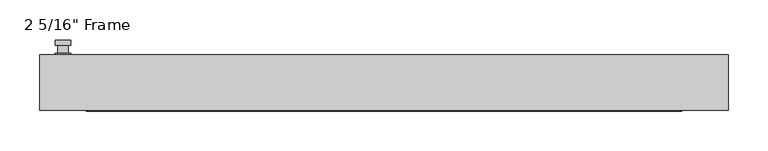
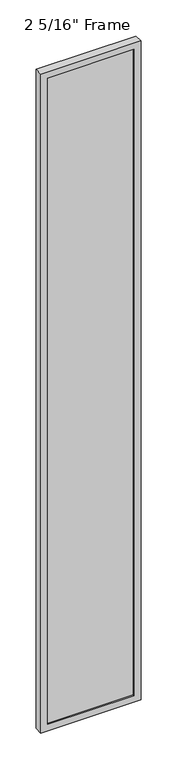
"""IFC4 building model written with IfcOpenShell, lengths in millimetres: plate geometry."""

from ifc_helpers import new_model, si_unit, frame, origin, place, context, project, spatial, polyline, circle_curve, outline, extrude, faceted_brep, source, transform, mapped, element, save
from ifc_brep_helpers import plane_surface, cylinder_surface, advanced_brep


def plate_0ae43627(model_context):
    return source(origin(), model_context, "Body", "SolidModel", [
        advanced_brep(
        [(-394.81125, 34.925, 927.1), (-413.86125, 34.925, 927.1), (-413.86125, 34.925, 901.7), (-394.81125, 34.925, 901.7), (-397.98625, 47.625, 914.4), (-397.98625, 38.1, 914.4), (-410.68625, 38.1, 914.4), (-410.68625, 47.625, 914.4), (-394.81125, 47.625, 914.4), (-413.86125, 47.625, 914.4), (-410.6822144, 47.625, 825.2736467), (-397.9902856, 47.625, 825.2736467), (-394.81125, 53.975, 914.4), (-397.9902856, 53.975, 825.2736467), (-410.6822144, 53.975, 825.2736467), (-413.86125, 53.975, 914.4), (-394.81125, 38.1, 927.1), (-394.81125, 38.1, 901.7), (-413.86125, 38.1, 901.7), (-413.86125, 38.1, 927.1)],
        [
            (0, 1, circle_curve(frame((-404.33625, 34.925, 927.1), z_axis=(0.0, -1.0, 0.0), x_axis=(-1.0, 0.0, 0.0)), 9.525)),
            (1, 2),
            (2, 3, circle_curve(frame((-404.33625, 34.925, 901.7), z_axis=(0.0, -1.0, 0.0), x_axis=(-1.0, 0.0, 0.0)), 9.525)),
            (3, 0),
            (4, 5),
            (5, 6, circle_curve(frame((-404.33625, 38.1, 914.4), z_axis=(0.0, 1.0, 0.0), x_axis=(-1.0, 0.0, 0.0)), 6.35)),
            (6, 7),
            (7, 4, circle_curve(frame((-404.33625, 47.625, 914.4), z_axis=(0.0, -1.0, 0.0), x_axis=(-1.0, 0.0, 0.0)), 6.35)),
            (6, 5, circle_curve(frame((-404.33625, 38.1, 914.4), z_axis=(0.0, 1.0, 0.0), x_axis=(-1.0, 0.0, 0.0)), 6.35)),
            (4, 7, circle_curve(frame((-404.33625, 47.625, 914.4), z_axis=(0.0, -1.0, 0.0), x_axis=(-1.0, 0.0, 0.0)), 6.35)),
            (8, 9, circle_curve(frame((-404.33625, 47.625, 914.4), z_axis=(0.0, -1.0, 0.0), x_axis=(-1.0, 0.0, 0.0)), 9.525)),
            (9, 10),
            (10, 11, circle_curve(frame((-404.33625, 47.625, 825.5), z_axis=(0.0, -1.0, 0.0), x_axis=(-1.0, 0.0, 0.0)), 6.35)),
            (11, 8),
            (12, 13),
            (13, 14, circle_curve(frame((-404.33625, 53.975, 825.5), z_axis=(0.0, 1.0, 0.0), x_axis=(-1.0, 0.0, 0.0)), 6.35)),
            (14, 15),
            (15, 12, circle_curve(frame((-404.33625, 53.975, 914.4), z_axis=(0.0, 1.0, 0.0), x_axis=(-1.0, 0.0, 0.0)), 9.525)),
            (11, 13),
            (12, 8),
            (10, 14),
            (9, 15),
            (16, 17),
            (17, 18, circle_curve(frame((-404.33625, 38.1, 901.7), z_axis=(0.0, 1.0, 0.0), x_axis=(-1.0, 0.0, 0.0)), 9.525)),
            (18, 19),
            (19, 16, circle_curve(frame((-404.33625, 38.1, 927.1), z_axis=(0.0, 1.0, 0.0), x_axis=(-1.0, 0.0, 0.0)), 9.525)),
            (3, 17),
            (16, 0),
            (2, 18),
            (1, 19),
        ],
        [
            plane_surface(frame((-410.68625, 34.925, 914.4), z_axis=(0.0, -1.0, 0.0), x_axis=(0.0, 0.0, 1.0))),
            cylinder_surface(frame((-404.33625, 47.625, 914.4), z_axis=(0.0, -1.0, 0.0), x_axis=(-1.0, 0.0, 0.0)), 6.35),
            plane_surface(frame((-394.81125, 47.625, 914.4), z_axis=(0.0, -1.0000000000000002, 0.0), x_axis=(-0.03564619348186888, 0.0, -0.9993644724975235))),
            plane_surface(frame((-394.81125, 53.975, 914.4), z_axis=(0.0, 1.0000000000000002, 0.0), x_axis=(0.03564619348186888, 0.0, 0.9993644724975235))),
            plane_surface(frame((-394.81125, 47.625, 914.4), z_axis=(0.9993644724975235, 0.0, -0.03564619348186888), x_axis=(0.0, 1.0, 0.0))),
            cylinder_surface(frame((-404.33625, 53.975, 825.5), z_axis=(0.0, -1.0, 0.0), x_axis=(-1.0, 0.0, 0.0)), 6.35),
            plane_surface(frame((-410.6822144, 47.625, 825.2736467), z_axis=(-0.9993644724975228, 0.0, -0.03564619348188612), x_axis=(0.0, 1.0, 0.0))),
            cylinder_surface(frame((-404.33625, 53.975, 914.4), z_axis=(0.0, -1.0, 0.0), x_axis=(-1.0, 0.0, 0.0)), 9.525),
            plane_surface(frame((-394.81125, 38.1, 901.7), z_axis=(0.0, 1.0, 0.0), x_axis=(0.0, 0.0, 1.0))),
            plane_surface(frame((-394.81125, 34.925, 927.1), z_axis=(1.0, 0.0, 0.0), x_axis=(0.0, 1.0, 0.0))),
            cylinder_surface(frame((-404.33625, 38.1, 901.7), z_axis=(0.0, -1.0, 0.0), x_axis=(-1.0, 0.0, 0.0)), 9.525),
            plane_surface(frame((-413.86125, 34.925, 901.7), z_axis=(-1.0, 0.0, 0.0), x_axis=(0.0, 1.0, 0.0))),
            cylinder_surface(frame((-404.33625, 38.1, 927.1), z_axis=(0.0, -1.0, 0.0), x_axis=(-1.0, 0.0, 0.0)), 9.525),
        ],
        [
            (0, [[1, 2, 3, 4]]),
            (1, [[5, 6, 7, 8]]),
            (1, [[-7, 9, -5, 10]]),
            (2, [[11, 12, 13, 14], [-10, -8]]),
            (3, [[15, 16, 17, 18]]),
            (4, [[19, -15, 20, -14]]),
            (5, [[21, -16, -19, -13]]),
            (6, [[22, -17, -21, -12]]),
            (7, [[-20, -18, -22, -11]]),
            (8, [[23, 24, 25, 26], [-9, -6]]),
            (9, [[27, -23, 28, -4]]),
            (10, [[29, -24, -27, -3]]),
            (11, [[30, -25, -29, -2]]),
            (12, [[-28, -26, -30, -1]]),
        ],
    ),
        faceted_brep([(-433.705, 34.925, 0.0), (433.705, 34.925, 0.0), (433.705, -34.925, 0.0), (-433.705, -34.925, 0.0), (-374.9675, -34.925, 5967.4125), (-374.9675, -34.925, 58.7375), (-374.9675, -22.225, 58.7375), (-374.9675, -22.225, 5967.4125), (387.6675, -22.225, 5980.1125), (387.6675, -22.225, 46.0375), (-387.6675, -22.225, 46.0375), (-387.6675, -22.225, 5980.1125), (374.9675, -22.225, 58.7375), (374.9675, -22.225, 5967.4125), (-387.6675, 1.5875, 46.0375), (-387.6675, 1.5875, 5980.1125), (387.6675, 1.5875, 46.0375), (387.6675, 1.5875, 5980.1125), (-374.9675, 1.5875, 5967.4125), (374.9675, 1.5875, 5967.4125), (374.9675, 1.5875, 58.7375), (-374.9675, 1.5875, 58.7375), (-374.9675, 34.925, 58.7375), (-374.9675, 34.925, 5967.4125), (-433.705, 34.925, 6026.15), (433.705, 34.925, 6026.15), (374.9675, 34.925, 58.7375), (374.9675, 34.925, 5967.4125), (-433.705, -34.925, 6026.15), (433.705, -34.925, 6026.15), (374.9675, -34.925, 5967.4125), (374.9675, -34.925, 58.7375)], [[[0, 1, 2, 3]], [[4, 5, 6, 7]], [[8, 9, 10, 11], [7, 6, 12, 13]], [[10, 14, 15, 11]], [[15, 14, 16, 17], [18, 19, 20, 21]], [[18, 21, 22, 23]], [[0, 24, 25, 1], [23, 22, 26, 27]], [[3, 28, 24, 0]], [[2, 29, 28, 3], [4, 30, 31, 5]], [[7, 13, 30, 4]], [[11, 15, 17, 8]], [[18, 23, 27, 19]], [[24, 28, 29, 25]], [[13, 12, 31, 30]], [[16, 9, 8, 17]], [[27, 26, 20, 19]], [[25, 29, 2, 1]], [[22, 21, 20, 26]], [[9, 16, 14, 10]], [[6, 5, 31, 12]]]),
        extrude(outline(polyline([(387.6675, 1.5875), (387.6675, -22.225), (-387.6675, -22.225), (-387.6675, 1.5875), (387.6675, 1.5875)])), frame((0.0, 0.0, 46.0375), z_axis=(0.0, 0.0, 1.0), x_axis=(1.0, 0.0, 0.0)), (0.0, 0.0, 1.0), 5934.075),
    ])


if __name__ == "__main__":
    model = new_model("IFC4")
    model_context = context("Model", 3, world=origin())
    ifc_project = project(units=[si_unit("LENGTHUNIT", "METRE", prefix="MILLI")], contexts=[model_context])
    site = spatial("IfcSite", under=ifc_project)
    building = spatial("IfcBuilding", under=site)
    placement = place(None, origin())
    plate_shape = plate_0ae43627(model_context)
    element("IfcPlate", 1, ObjectType="2 5/16\" Frame", at=placement, inside=building, context=model_context, shape_type="MappedRepresentation", body=[
        mapped(plate_shape, transform((0.0, 0.0, 0.0), x_axis=(1.0, 0.0, 0.0), y_axis=(0.0, 1.0, 0.0), z_axis=(0.0, 0.0, 1.0))),
    ])
    save(model, "model.ifc")
